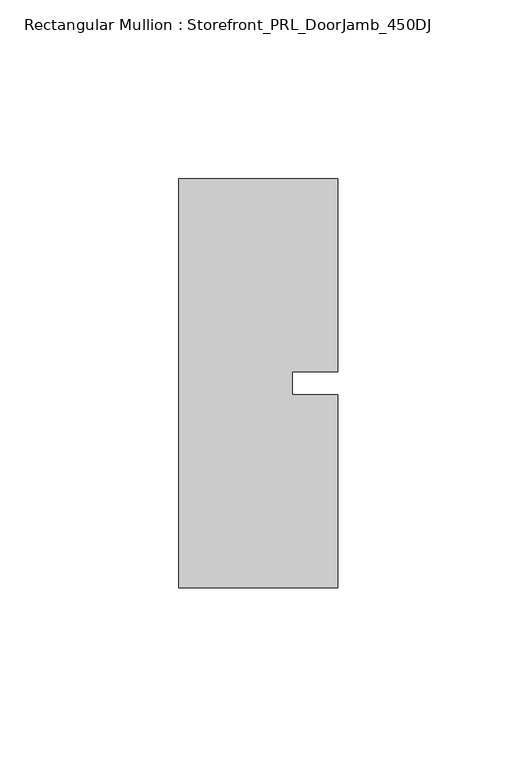
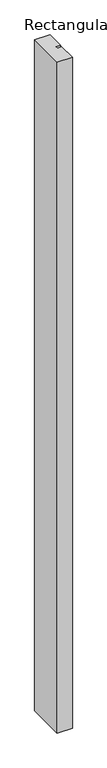
"""IFC4 building model written with IfcOpenShell, lengths in millimetres: member geometry, Rectangular Mullion : Storefront_PRL_DoorJamb_450DJ."""

from ifc_helpers import new_model, si_unit, frame, origin, place, context, project, spatial, polyline, outline, extrude, source, transform, mapped, element, save


def rectangular_mullion_storefront_prl_doorjamb_450dj_89ce2c68(model_context):
    return source(origin(), model_context, "Body", "SweptSolid", [
        extrude(outline(polyline([(9.525, -3.175), (22.225, -3.175), (22.225, -57.15), (-22.225, -57.15), (-22.225, 57.15), (22.225, 57.15), (22.225, 3.175), (9.525, 3.175), (9.525, -3.175)])), frame((0.0, 0.0, -2078.83125), z_axis=(0.0, 0.0, 1.0), x_axis=(1.0, 0.0, 0.0)), (0.0, 0.0, 1.0), 2078.83125),
    ])


if __name__ == "__main__":
    model = new_model("IFC4")
    model_context = context("Model", 3, world=origin())
    ifc_project = project(units=[si_unit("LENGTHUNIT", "METRE", prefix="MILLI")], contexts=[model_context])
    site = spatial("IfcSite", under=ifc_project)
    building = spatial("IfcBuilding", under=site)
    placement = place(None, origin())
    rectangular_mullion_storefront_prl_doorjamb_450dj_shape = rectangular_mullion_storefront_prl_doorjamb_450dj_89ce2c68(model_context)
    element("IfcMember", 1, ObjectType="Rectangular Mullion : Storefront_PRL_DoorJamb_450DJ", at=placement, inside=building, context=model_context, shape_type="MappedRepresentation", body=[
        mapped(rectangular_mullion_storefront_prl_doorjamb_450dj_shape, transform((0.0, 0.0, 0.0), x_axis=(1.0, 0.0, 0.0), y_axis=(0.0, 1.0, 0.0), z_axis=(0.0, 0.0, 1.0))),
    ])
    save(model, "model.ifc")
